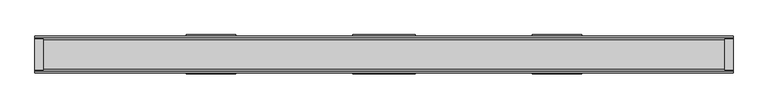
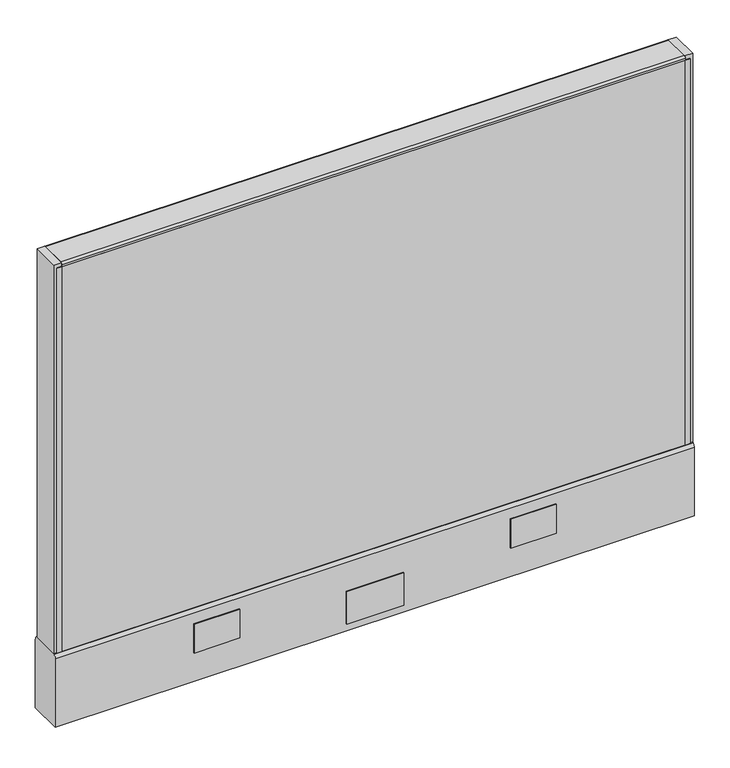
"""IFC4 building model written with IfcOpenShell, lengths in millimetres: furniture geometry."""

from ifc_helpers import new_model, si_unit, point, frame, frame_2d, origin, place, context, project, spatial, polyline, circle_curve, trimmed, segment, composite_curve, outline, extrude, source, transform, mapped, element, save
from ifc_brep_helpers import plane_surface, cylinder_surface, advanced_brep


def furniture_d05c42f8(model_context):
    return source(origin(), model_context, "Body", "SolidModel", [
        extrude(outline(polyline([(520.7, 25.4), (520.7, 0.0), (-520.7, 0.0), (-520.7, 25.4), (520.7, 25.4)])), frame((0.0, 0.0, 136.525), z_axis=(0.0, 0.0, 1.0), x_axis=(1.0, 0.0, 0.0)), (0.0, 0.0, 1.0), 679.45),
        extrude(outline(polyline([(47.625, 28.575), (-47.625, 28.575), (-47.625, 30.1625), (47.625, 30.1625), (47.625, 28.575)])), frame((0.0, 0.0, 22.225), z_axis=(0.0, 0.0, 1.0), x_axis=(1.0, 0.0, 0.0)), (0.0, 0.0, 1.0), 57.15),
        extrude(outline(polyline([(47.625, -30.1625), (-47.625, -30.1625), (-47.625, -28.575), (47.625, -28.575), (47.625, -30.1625)])), frame((0.0, 0.0, 22.225), z_axis=(0.0, 0.0, 1.0), x_axis=(1.0, 0.0, 0.0)), (0.0, 0.0, 1.0), 57.15),
        advanced_brep(
        [(476.25, 0.0, 0.0), (501.65, 0.0, 0.0), (488.95, 0.0, 0.0), (476.25, 0.0, 4.7625), (501.65, 0.0, 4.7625), (482.6, 0.0, 4.7625), (495.3, 0.0, 4.7625), (482.6, 0.0, 111.125), (495.3, 0.0, 111.125), (488.95, 0.0, 111.125)],
        [
            (0, 1, circle_curve(frame((488.95, 0.0, 0.0), z_axis=(0.0, 0.0, -1.0), x_axis=(1.0, 0.0, 0.0)), 12.7)),
            (1, 2),
            (2, 0),
            (1, 0, circle_curve(frame((488.95, 0.0, 0.0), z_axis=(0.0, 0.0, -1.0), x_axis=(1.0, 0.0, 0.0)), 12.7)),
            (3, 4, circle_curve(frame((488.95, 0.0, 4.7625), z_axis=(0.0, 0.0, -1.0), x_axis=(1.0, 0.0, 0.0)), 12.7)),
            (4, 1),
            (0, 3),
            (4, 3, circle_curve(frame((488.95, 0.0, 4.7625), z_axis=(0.0, 0.0, -1.0), x_axis=(1.0, 0.0, 0.0)), 12.7)),
            (5, 6, circle_curve(frame((488.95, 0.0, 4.7625), z_axis=(0.0, 0.0, -1.0), x_axis=(1.0, 0.0, 0.0)), 6.35)),
            (6, 4),
            (3, 5),
            (6, 5, circle_curve(frame((488.95, 0.0, 4.7625), z_axis=(0.0, 0.0, -1.0), x_axis=(1.0, 0.0, 0.0)), 6.35)),
            (7, 8, circle_curve(frame((488.95, 0.0, 111.125), z_axis=(0.0, 0.0, -1.0), x_axis=(1.0, 0.0, 0.0)), 6.35)),
            (8, 6),
            (5, 7),
            (8, 7, circle_curve(frame((488.95, 0.0, 111.125), z_axis=(0.0, 0.0, -1.0), x_axis=(1.0, 0.0, 0.0)), 6.35)),
            (9, 8),
            (7, 9),
        ],
        [
            plane_surface(frame((488.95, 0.0, 0.0), z_axis=(0.0, 0.0, -1.0), x_axis=(1.0, 0.0, 0.0))),
            cylinder_surface(frame((488.95, 0.0, 114.882153), z_axis=(0.0, 0.0, 1.0), x_axis=(1.0, 0.0, 0.0)), 12.7),
            plane_surface(frame((488.95, 0.0, 4.7625), z_axis=(0.0, 0.0, 1.0), x_axis=(1.0, 0.0, 0.0))),
            cylinder_surface(frame((488.95, 0.0, 114.882153), z_axis=(0.0, 0.0, 1.0), x_axis=(1.0, 0.0, 0.0)), 6.35),
            plane_surface(frame((488.95, 0.0, 111.125), z_axis=(0.0, 0.0, 1.0), x_axis=(1.0, 0.0, 0.0))),
        ],
        [
            (0, [[1, 2, 3]]),
            (0, [[4, -3, -2]]),
            (1, [[5, 6, -1, 7]]),
            (1, [[8, -7, -4, -6]]),
            (2, [[9, 10, -5, 11]]),
            (2, [[12, -11, -8, -10]]),
            (3, [[13, 14, -9, 15]]),
            (3, [[16, -15, -12, -14]]),
            (4, [[17, -13, 18]]),
            (4, [[-18, -16, -17]]),
        ],
    ),
        advanced_brep(
        [(-501.65, 0.0, 4.7625), (-476.25, 0.0, 4.7625), (-476.25, 0.0, 0.0), (-501.65, 0.0, 0.0), (-495.3, 0.0, 4.7625), (-482.6, 0.0, 4.7625), (-495.3, 0.0, 111.125), (-482.6, 0.0, 111.125), (-488.95, 0.0, 111.125), (-488.95, 0.0, 0.0)],
        [
            (0, 1, circle_curve(frame((-488.95, 0.0, 4.7625), z_axis=(0.0, 0.0, -1.0), x_axis=(1.0, 0.0, 0.0)), 12.7)),
            (1, 2),
            (2, 3, circle_curve(frame((-488.95, 0.0, 0.0), z_axis=(0.0, 0.0, 1.0), x_axis=(1.0, 0.0, 0.0)), 12.7)),
            (3, 0),
            (1, 0, circle_curve(frame((-488.95, 0.0, 4.7625), z_axis=(0.0, 0.0, -1.0), x_axis=(1.0, 0.0, 0.0)), 12.7)),
            (3, 2, circle_curve(frame((-488.95, 0.0, 0.0), z_axis=(0.0, 0.0, 1.0), x_axis=(1.0, 0.0, 0.0)), 12.7)),
            (4, 5, circle_curve(frame((-488.95, 0.0, 4.7625), z_axis=(0.0, 0.0, -1.0), x_axis=(1.0, 0.0, 0.0)), 6.35)),
            (5, 1),
            (0, 4),
            (5, 4, circle_curve(frame((-488.95, 0.0, 4.7625), z_axis=(0.0, 0.0, -1.0), x_axis=(1.0, 0.0, 0.0)), 6.35)),
            (6, 7, circle_curve(frame((-488.95, 0.0, 111.125), z_axis=(0.0, 0.0, -1.0), x_axis=(1.0, 0.0, 0.0)), 6.35)),
            (7, 5),
            (4, 6),
            (7, 6, circle_curve(frame((-488.95, 0.0, 111.125), z_axis=(0.0, 0.0, -1.0), x_axis=(1.0, 0.0, 0.0)), 6.35)),
            (8, 7),
            (6, 8),
            (2, 9),
            (9, 3),
        ],
        [
            cylinder_surface(frame((-488.95, 0.0, 123.825), z_axis=(0.0, 0.0, 1.0), x_axis=(1.0, 0.0, 0.0)), 12.7),
            plane_surface(frame((-488.95, 0.0, 4.7625), z_axis=(0.0, 0.0, 1.0), x_axis=(1.0, 0.0, 0.0))),
            cylinder_surface(frame((-488.95, 0.0, 123.825), z_axis=(0.0, 0.0, 1.0), x_axis=(1.0, 0.0, 0.0)), 6.35),
            plane_surface(frame((-488.95, 0.0, 111.125), z_axis=(0.0, 0.0, 1.0), x_axis=(1.0, 0.0, 0.0))),
            plane_surface(frame((-488.95, 0.0, 0.0), z_axis=(0.0, 0.0, -1.0), x_axis=(1.0, 0.0, 0.0))),
        ],
        [
            (0, [[1, 2, 3, 4]]),
            (0, [[5, -4, 6, -2]]),
            (1, [[7, 8, -1, 9]]),
            (1, [[10, -9, -5, -8]]),
            (2, [[11, 12, -7, 13]]),
            (2, [[14, -13, -10, -12]]),
            (3, [[15, -11, 16]]),
            (3, [[-16, -14, -15]]),
            (4, [[-3, 17, 18]]),
            (4, [[-6, -18, -17]]),
        ],
    ),
        extrude(outline(polyline([(-533.4, 23.8125), (-520.7, 23.8125), (-520.7, -23.8125), (-533.4, -23.8125), (-533.4, 23.8125)])), frame((0.0, 0.0, 136.525), z_axis=(0.0, 0.0, 1.0), x_axis=(1.0, 0.0, 0.0)), (0.0, 0.0, 1.0), 685.8),
        extrude(outline(polyline([(533.4, 23.8125), (533.4, -23.8125), (520.7, -23.8125), (520.7, 23.8125), (533.4, 23.8125)])), frame((0.0, 0.0, 136.525), z_axis=(0.0, 0.0, 1.0), x_axis=(1.0, 0.0, 0.0)), (0.0, 0.0, 1.0), 685.8),
        extrude(outline(polyline([(-520.7, 25.4), (-520.7, 23.8125), (-528.6375, 23.8125), (-528.6375, 25.4), (-520.7, 25.4)])), frame((0.0, 0.0, 136.525), z_axis=(0.0, 0.0, 1.0), x_axis=(1.0, 0.0, 0.0)), (0.0, 0.0, 1.0), 679.45),
        extrude(outline(polyline([(-520.7, -25.4), (-528.6375, -25.4), (-528.6375, -23.8125), (-520.7, -23.8125), (-520.7, -25.4)])), frame((0.0, 0.0, 136.525), z_axis=(0.0, 0.0, 1.0), x_axis=(1.0, 0.0, 0.0)), (0.0, 0.0, 1.0), 679.45),
        extrude(outline(polyline([(528.6375, 25.4), (528.6375, 23.8125), (520.7, 23.8125), (520.7, 25.4), (528.6375, 25.4)])), frame((0.0, 0.0, 136.525), z_axis=(0.0, 0.0, 1.0), x_axis=(1.0, 0.0, 0.0)), (0.0, 0.0, 1.0), 679.45),
        extrude(outline(polyline([(520.7, -23.8125), (528.6375, -23.8125), (528.6375, -25.4), (520.7, -25.4), (520.7, -23.8125)])), frame((0.0, 0.0, 136.525), z_axis=(0.0, 0.0, 1.0), x_axis=(1.0, 0.0, 0.0)), (0.0, 0.0, 1.0), 679.45),
        extrude(outline(composite_curve([segment(trimmed(circle_curve(frame_2d((22.225, 819.15)), 3.175), [point((22.225, 822.325))], [point((25.4, 819.15))], False, "CARTESIAN"), True, "CONTINUOUS"), segment(polyline([(25.4, 819.15), (25.4, 815.975), (-25.4, 815.975), (-25.4, 819.15)]), True, "CONTINUOUS"), segment(trimmed(circle_curve(frame_2d((-22.225, 819.15)), 3.175), [point((-25.4, 819.15))], [point((-22.225, 822.325))], False, "CARTESIAN"), True, "CONTINUOUS"), segment(polyline([(-22.225, 822.325), (22.225, 822.325)]), True, "CONTINUOUS")], self_intersect=False)), frame((-520.7, 0.0, 0.0), z_axis=(1.0, 0.0, 0.0), x_axis=(0.0, 1.0, 0.0)), (0.0, 0.0, 1.0), 1041.4),
        extrude(outline(polyline([(302.514, 30.1625), (302.514, 28.575), (226.206184, 28.575), (226.206184, 30.1625), (302.514, 30.1625)])), frame((0.0, 0.0, 60.325), z_axis=(0.0, 0.0, 1.0), x_axis=(1.0, 0.0, 0.0)), (0.0, 0.0, 1.0), 50.8),
        extrude(outline(polyline([(-226.206184, 30.1625), (-226.206184, 28.575), (-302.514, 28.575), (-302.514, 30.1625), (-226.206184, 30.1625)])), frame((0.0, 0.0, 60.325), z_axis=(0.0, 0.0, 1.0), x_axis=(1.0, 0.0, 0.0)), (0.0, 0.0, 1.0), 50.8),
        extrude(outline(polyline([(302.514, -28.575), (302.514, -30.1625), (226.206184, -30.1625), (226.206184, -28.575), (302.514, -28.575)])), frame((0.0, 0.0, 60.325), z_axis=(0.0, 0.0, 1.0), x_axis=(1.0, 0.0, 0.0)), (0.0, 0.0, 1.0), 50.8),
        extrude(outline(polyline([(-226.206184, -28.575), (-226.206184, -30.1625), (-302.514, -30.1625), (-302.514, -28.575), (-226.206184, -28.575)])), frame((0.0, 0.0, 60.325), z_axis=(0.0, 0.0, 1.0), x_axis=(1.0, 0.0, 0.0)), (0.0, 0.0, 1.0), 50.8),
        extrude(outline(composite_curve([segment(trimmed(circle_curve(frame_2d((20.6375, 130.175)), 7.9375), [point((25.4, 136.525))], [point((28.575, 130.175))], False, "CARTESIAN"), True, "CONTINUOUS"), segment(polyline([(28.575, 130.175), (28.575, 9.525), (-28.575, 9.525), (-28.575, 130.175)]), True, "CONTINUOUS"), segment(trimmed(circle_curve(frame_2d((-20.6375, 130.175)), 7.9375), [point((-28.575, 130.175))], [point((-25.4, 136.525))], False, "CARTESIAN"), True, "CONTINUOUS"), segment(polyline([(-25.4, 136.525), (25.4, 136.525)]), True, "CONTINUOUS")], self_intersect=False)), frame((-533.4, 0.0, 0.0), z_axis=(1.0, 0.0, 0.0), x_axis=(0.0, 1.0, 0.0)), (0.0, 0.0, 1.0), 1066.8),
        extrude(outline(polyline([(520.7, 0.0), (520.7, -25.4), (-520.7, -25.4), (-520.7, 0.0), (520.7, 0.0)])), frame((0.0, 0.0, 136.525), z_axis=(0.0, 0.0, 1.0), x_axis=(1.0, 0.0, 0.0)), (0.0, 0.0, 1.0), 679.45),
    ])


if __name__ == "__main__":
    model = new_model("IFC4")
    model_context = context("Model", 3, world=origin())
    ifc_project = project(units=[si_unit("LENGTHUNIT", "METRE", prefix="MILLI")], contexts=[model_context])
    site = spatial("IfcSite", under=ifc_project)
    building = spatial("IfcBuilding", under=site)
    placement = place(None, origin())
    furniture_shape = furniture_d05c42f8(model_context)
    element("IfcFurniture", 1, at=placement, inside=building, context=model_context, shape_type="MappedRepresentation", body=[
        mapped(furniture_shape, transform((0.0, 0.0, 0.0), x_axis=(1.0, 0.0, 0.0), y_axis=(0.0, 1.0, 0.0), z_axis=(0.0, 0.0, 1.0))),
    ])
    save(model, "model.ifc")
